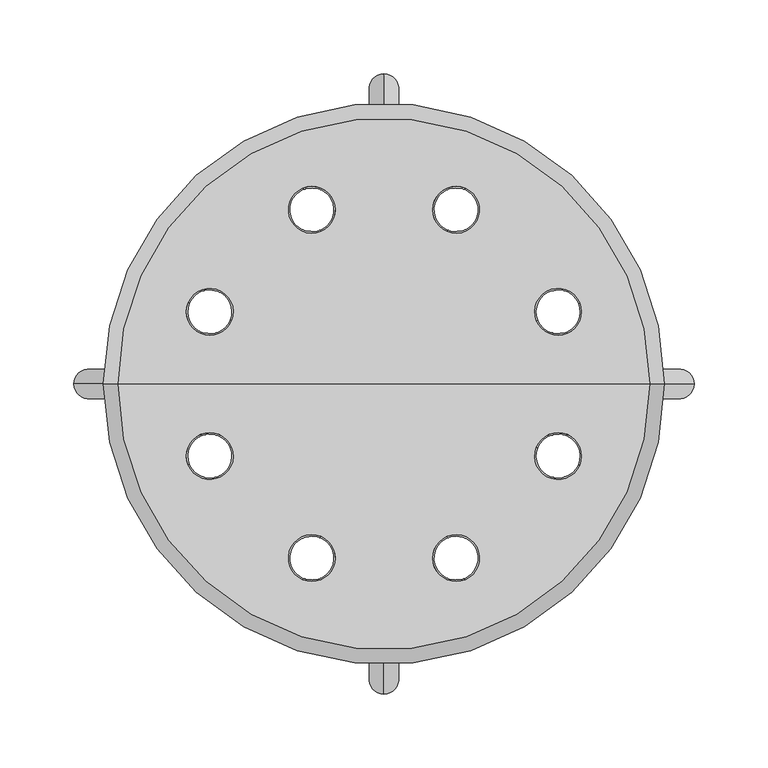
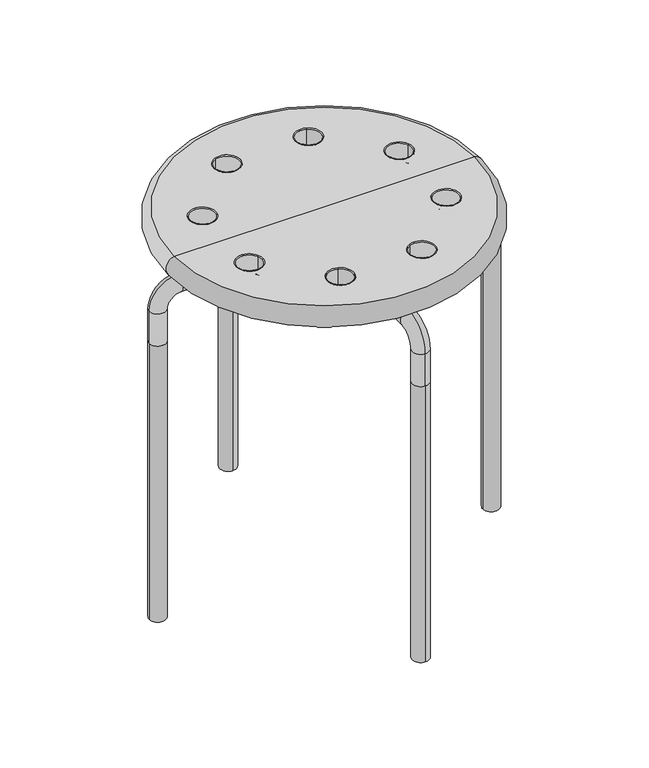
"""IFC4 building model written with IfcOpenShell, lengths in millimetres: furniture geometry."""

from ifc_helpers import new_model, si_unit, point, frame, origin, place, context, project, spatial, polyline, circle_curve, ellipse_curve, trimmed, source, transform, mapped, element, save
from ifc_brep_helpers import plane_surface, cylinder_surface, revolved_surface, advanced_brep


def furniture_d15ad5e4(model_context):
    return source(origin(), model_context, "Body", "AdvancedBrep", [
        advanced_brep(
        [(0.0, 0.0, 450.0), (180.0, 0.0, 450.0), (-180.0, 0.0, 450.0), (-42.7922575, 103.3096484, 450.0), (-54.8951378, 132.5285862, 450.0), (42.7922575, 103.3096484, 450.0), (54.8951378, 132.5285862, 450.0), (-103.3096484, 42.7922575, 450.0), (-132.5285862, 54.8951378, 450.0), (103.3096484, 42.7922575, 450.0), (132.5285862, 54.8951378, 450.0), (-103.3096484, -42.7922575, 450.0), (-132.5285862, -54.8951378, 450.0), (-42.7922575, -103.3096484, 450.0), (-54.8951378, -132.5285862, 450.0), (42.7922575, -103.3096484, 450.0), (54.8951378, -132.5285862, 450.0), (103.3096484, -42.7922575, 450.0), (132.5285862, -54.8951378, 450.0), (-180.0, 0.0, 425.0), (180.0, 0.0, 425.0), (0.0, 0.0, 425.0), (-54.8951378, 132.5285862, 425.0), (-42.7922575, 103.3096484, 425.0), (54.8951378, 132.5285862, 425.0), (42.7922575, 103.3096484, 425.0), (-132.5285862, 54.8951378, 425.0), (-103.3096484, 42.7922575, 425.0), (132.5285862, 54.8951378, 425.0), (103.3096484, 42.7922575, 425.0), (-132.5285862, -54.8951378, 425.0), (-103.3096484, -42.7922575, 425.0), (-54.8951378, -132.5285862, 425.0), (-42.7922575, -103.3096484, 425.0), (54.8951378, -132.5285862, 425.0), (42.7922575, -103.3096484, 425.0), (132.5285862, -54.8951378, 425.0), (103.3096484, -42.7922575, 425.0), (-54.5839491, 131.7773103, 449.1868248), (-43.1034461, 104.0609243, 449.1868248), (-43.1034461, 104.0609243, 425.8131752), (-54.5839491, 131.7773103, 425.8131752), (54.5839491, 131.7773103, 449.1868248), (43.1034461, 104.0609243, 449.1868248), (43.1034461, 104.0609243, 425.8131752), (54.5839491, 131.7773103, 425.8131752), (-131.7773103, 54.5839491, 449.1868248), (-104.0609243, 43.1034461, 449.1868248), (-104.0609243, 43.1034461, 425.8131752), (-131.7773103, 54.5839491, 425.8131752), (-131.7773103, -54.5839491, 449.1868248), (-104.0609243, -43.1034461, 449.1868248), (-104.0609243, -43.1034461, 425.8131752), (-131.7773103, -54.5839491, 425.8131752), (-54.5839491, -131.7773103, 449.1868248), (-43.1034461, -104.0609243, 449.1868248), (-43.1034461, -104.0609243, 425.8131752), (-54.5839491, -131.7773103, 425.8131752), (54.5839491, -131.7773103, 449.1868248), (43.1034461, -104.0609243, 449.1868248), (43.1034461, -104.0609243, 425.8131752), (54.5839491, -131.7773103, 425.8131752), (131.7773103, -54.5839491, 449.1868248), (104.0609243, -43.1034461, 449.1868248), (104.0609243, -43.1034461, 425.8131752), (131.7773103, -54.5839491, 425.8131752), (131.7773103, 54.5839491, 449.1868248), (104.0609243, 43.1034461, 449.1868248), (104.0609243, 43.1034461, 425.8131752), (131.7773103, 54.5839491, 425.8131752)],
        [
            (0, 1),
            (1, 2, circle_curve(frame((0.0, 0.0, 450.0), z_axis=(0.0, 0.0, 1.0), x_axis=(1.0, 0.0, 0.0)), 180.0)),
            (2, 0),
            (3, 4, circle_curve(frame((-48.8436976, 117.9191173, 450.0), z_axis=(0.0, 0.0, -1.0), x_axis=(0.38268343236508945, -0.9238795325112868, 0.0)), 15.8131752)),
            (4, 3, circle_curve(frame((-48.8436976, 117.9191173, 450.0), z_axis=(0.0, 0.0, -1.0), x_axis=(0.38268343236508945, -0.9238795325112868, 0.0)), 15.8131752)),
            (5, 6, circle_curve(frame((48.8436976, 117.9191173, 450.0), z_axis=(0.0, 0.0, -1.0), x_axis=(-0.382683432365101, -0.9238795325112822, 0.0)), 15.8131752)),
            (6, 5, circle_curve(frame((48.8436976, 117.9191173, 450.0), z_axis=(0.0, 0.0, -1.0), x_axis=(-0.382683432365101, -0.9238795325112822, 0.0)), 15.8131752)),
            (7, 8, circle_curve(frame((-117.9191173, 48.8436976, 450.0), z_axis=(0.0, 0.0, -1.0), x_axis=(0.9238795325112863, -0.38268343236509095, 0.0)), 15.8131752)),
            (8, 7, circle_curve(frame((-117.9191173, 48.8436976, 450.0), z_axis=(0.0, 0.0, -1.0), x_axis=(0.9238795325112863, -0.38268343236509095, 0.0)), 15.8131752)),
            (9, 10, circle_curve(frame((117.9191173, 48.8436976, 450.0), z_axis=(0.0, 0.0, -1.0), x_axis=(-0.9238795325112934, -0.38268343236507363, 0.0)), 15.8131752)),
            (10, 9, circle_curve(frame((117.9191173, 48.8436976, 450.0), z_axis=(0.0, 0.0, -1.0), x_axis=(-0.9238795325112934, -0.38268343236507363, 0.0)), 15.8131752)),
            (2, 1, circle_curve(frame((0.0, 0.0, 450.0), z_axis=(0.0, 0.0, 1.0), x_axis=(1.0, 0.0, 0.0)), 180.0)),
            (11, 12, circle_curve(frame((-117.9191173, -48.8436976, 450.0), z_axis=(0.0, 0.0, -1.0), x_axis=(0.9238795325112876, 0.38268343236508773, 0.0)), 15.8131752)),
            (12, 11, circle_curve(frame((-117.9191173, -48.8436976, 450.0), z_axis=(0.0, 0.0, -1.0), x_axis=(0.9238795325112876, 0.38268343236508773, 0.0)), 15.8131752)),
            (13, 14, circle_curve(frame((-48.8436976, -117.9191173, 450.0), z_axis=(0.0, 0.0, -1.0), x_axis=(0.3826834323650922, 0.9238795325112857, 0.0)), 15.8131752)),
            (14, 13, circle_curve(frame((-48.8436976, -117.9191173, 450.0), z_axis=(0.0, 0.0, -1.0), x_axis=(0.3826834323650922, 0.9238795325112857, 0.0)), 15.8131752)),
            (15, 16, circle_curve(frame((48.8436976, -117.9191173, 450.0), z_axis=(0.0, 0.0, -1.0), x_axis=(-0.3826834323650865, 0.9238795325112882, 0.0)), 15.8131752)),
            (16, 15, circle_curve(frame((48.8436976, -117.9191173, 450.0), z_axis=(0.0, 0.0, -1.0), x_axis=(-0.3826834323650865, 0.9238795325112882, 0.0)), 15.8131752)),
            (17, 18, circle_curve(frame((117.9191173, -48.8436976, 450.0), z_axis=(0.0, 0.0, -1.0), x_axis=(-0.9238795325112803, 0.3826834323651055, 0.0)), 15.8131752)),
            (18, 17, circle_curve(frame((117.9191173, -48.8436976, 450.0), z_axis=(0.0, 0.0, -1.0), x_axis=(-0.9238795325112803, 0.3826834323651055, 0.0)), 15.8131752)),
            (19, 20, circle_curve(frame((0.0, 0.0, 425.0), z_axis=(0.0, 0.0, -1.0), x_axis=(1.0, 0.0, 0.0)), 180.0)),
            (20, 21),
            (21, 19),
            (22, 23, circle_curve(frame((-48.8436976, 117.9191173, 425.0), z_axis=(0.0, 0.0, 1.0), x_axis=(0.38268343236508945, -0.9238795325112868, 0.0)), 15.8131752)),
            (23, 22, circle_curve(frame((-48.8436976, 117.9191173, 425.0), z_axis=(0.0, 0.0, 1.0), x_axis=(0.38268343236508945, -0.9238795325112868, 0.0)), 15.8131752)),
            (24, 25, circle_curve(frame((48.8436976, 117.9191173, 425.0), z_axis=(0.0, 0.0, 1.0), x_axis=(-0.382683432365101, -0.9238795325112822, 0.0)), 15.8131752)),
            (25, 24, circle_curve(frame((48.8436976, 117.9191173, 425.0), z_axis=(0.0, 0.0, 1.0), x_axis=(-0.382683432365101, -0.9238795325112822, 0.0)), 15.8131752)),
            (26, 27, circle_curve(frame((-117.9191173, 48.8436976, 425.0), z_axis=(0.0, 0.0, 1.0), x_axis=(0.9238795325112863, -0.38268343236509095, 0.0)), 15.8131752)),
            (27, 26, circle_curve(frame((-117.9191173, 48.8436976, 425.0), z_axis=(0.0, 0.0, 1.0), x_axis=(0.9238795325112863, -0.38268343236509095, 0.0)), 15.8131752)),
            (28, 29, circle_curve(frame((117.9191173, 48.8436976, 425.0), z_axis=(0.0, 0.0, 1.0), x_axis=(-0.9238795325112934, -0.38268343236507363, 0.0)), 15.8131752)),
            (29, 28, circle_curve(frame((117.9191173, 48.8436976, 425.0), z_axis=(0.0, 0.0, 1.0), x_axis=(-0.9238795325112934, -0.38268343236507363, 0.0)), 15.8131752)),
            (20, 19, circle_curve(frame((0.0, 0.0, 425.0), z_axis=(0.0, 0.0, -1.0), x_axis=(1.0, 0.0, 0.0)), 180.0)),
            (30, 31, circle_curve(frame((-117.9191173, -48.8436976, 425.0), z_axis=(0.0, 0.0, 1.0), x_axis=(0.9238795325112876, 0.38268343236508773, 0.0)), 15.8131752)),
            (31, 30, circle_curve(frame((-117.9191173, -48.8436976, 425.0), z_axis=(0.0, 0.0, 1.0), x_axis=(0.9238795325112876, 0.38268343236508773, 0.0)), 15.8131752)),
            (32, 33, circle_curve(frame((-48.8436976, -117.9191173, 425.0), z_axis=(0.0, 0.0, 1.0), x_axis=(0.3826834323650922, 0.9238795325112857, 0.0)), 15.8131752)),
            (33, 32, circle_curve(frame((-48.8436976, -117.9191173, 425.0), z_axis=(0.0, 0.0, 1.0), x_axis=(0.3826834323650922, 0.9238795325112857, 0.0)), 15.8131752)),
            (34, 35, circle_curve(frame((48.8436976, -117.9191173, 425.0), z_axis=(0.0, 0.0, 1.0), x_axis=(-0.3826834323650865, 0.9238795325112882, 0.0)), 15.8131752)),
            (35, 34, circle_curve(frame((48.8436976, -117.9191173, 425.0), z_axis=(0.0, 0.0, 1.0), x_axis=(-0.3826834323650865, 0.9238795325112882, 0.0)), 15.8131752)),
            (36, 37, circle_curve(frame((117.9191173, -48.8436976, 425.0), z_axis=(0.0, 0.0, 1.0), x_axis=(-0.9238795325112803, 0.3826834323651055, 0.0)), 15.8131752)),
            (37, 36, circle_curve(frame((117.9191173, -48.8436976, 425.0), z_axis=(0.0, 0.0, 1.0), x_axis=(-0.9238795325112803, 0.3826834323651055, 0.0)), 15.8131752)),
            (1, 20, ellipse_curve(frame((180.0, 0.0, 437.5), z_axis=(0.0, 1.0, 0.0), x_axis=(0.0, 0.0, 1.0)), 12.5, 10.0)),
            (19, 2, ellipse_curve(frame((-180.0, 0.0, 437.5), z_axis=(0.0, 1.0, 0.0), x_axis=(0.0, 0.0, 1.0)), 12.5, 10.0)),
            (38, 4, circle_curve(frame((-54.8951378, 132.5285862, 449.1868248), z_axis=(-0.9238795325112856, -0.38268343236509245, 0.0), x_axis=(0.38268343236509245, -0.9238795325112856, 0.0)), 0.8131752)),
            (3, 39, circle_curve(frame((-42.7922575, 103.3096484, 449.1868248), z_axis=(-0.9238795325112868, -0.38268343236508945, 0.0), x_axis=(-0.38268343236508945, 0.9238795325112868, 0.0)), 0.8131752)),
            (39, 38, circle_curve(frame((-48.8436976, 117.9191173, 449.1868248), z_axis=(0.0, 0.0, -1.0), x_axis=(0.38268343236508945, -0.9238795325112868, 0.0)), 15.0)),
            (38, 39, circle_curve(frame((-48.8436976, 117.9191173, 449.1868248), z_axis=(0.0, 0.0, -1.0), x_axis=(0.38268343236508945, -0.9238795325112868, 0.0)), 15.0)),
            (39, 40),
            (40, 41, circle_curve(frame((-48.8436976, 117.9191173, 425.8131752), z_axis=(0.0, 0.0, -1.0), x_axis=(0.38268343236508945, -0.9238795325112868, 0.0)), 15.0)),
            (41, 38),
            (41, 40, circle_curve(frame((-48.8436976, 117.9191173, 425.8131752), z_axis=(0.0, 0.0, -1.0), x_axis=(0.38268343236508945, -0.9238795325112868, 0.0)), 15.0)),
            (40, 23, circle_curve(frame((-42.7922575, 103.3096484, 425.8131752), z_axis=(-0.9238795325112868, -0.38268343236508945, 0.0), x_axis=(-0.38268343236508945, 0.9238795325112868, 0.0)), 0.8131752)),
            (22, 41, circle_curve(frame((-54.8951378, 132.5285862, 425.8131752), z_axis=(-0.9238795325112856, -0.38268343236509245, 0.0), x_axis=(0.38268343236509245, -0.9238795325112856, 0.0)), 0.8131752)),
            (42, 6, circle_curve(frame((54.8951378, 132.5285862, 449.1868248), z_axis=(-0.9238795325112834, 0.382683432365098, 0.0), x_axis=(-0.382683432365098, -0.9238795325112834, 0.0)), 0.8131752)),
            (5, 43, circle_curve(frame((42.7922575, 103.3096484, 449.1868248), z_axis=(-0.9238795325112822, 0.382683432365101, 0.0), x_axis=(0.382683432365101, 0.9238795325112822, 0.0)), 0.8131752)),
            (43, 42, circle_curve(frame((48.8436976, 117.9191173, 449.1868248), z_axis=(0.0, 0.0, -1.0), x_axis=(-0.382683432365101, -0.9238795325112822, 0.0)), 15.0)),
            (42, 43, circle_curve(frame((48.8436976, 117.9191173, 449.1868248), z_axis=(0.0, 0.0, -1.0), x_axis=(-0.382683432365101, -0.9238795325112822, 0.0)), 15.0)),
            (43, 44),
            (44, 45, circle_curve(frame((48.8436976, 117.9191173, 425.8131752), z_axis=(0.0, 0.0, -1.0), x_axis=(-0.382683432365101, -0.9238795325112822, 0.0)), 15.0)),
            (45, 42),
            (45, 44, circle_curve(frame((48.8436976, 117.9191173, 425.8131752), z_axis=(0.0, 0.0, -1.0), x_axis=(-0.382683432365101, -0.9238795325112822, 0.0)), 15.0)),
            (44, 25, circle_curve(frame((42.7922575, 103.3096484, 425.8131752), z_axis=(-0.9238795325112822, 0.382683432365101, 0.0), x_axis=(0.382683432365101, 0.9238795325112822, 0.0)), 0.8131752)),
            (24, 45, circle_curve(frame((54.8951378, 132.5285862, 425.8131752), z_axis=(-0.9238795325112834, 0.382683432365098, 0.0), x_axis=(-0.382683432365098, -0.9238795325112834, 0.0)), 0.8131752)),
            (46, 8, circle_curve(frame((-132.5285862, 54.8951378, 449.1868248), z_axis=(-0.38268343236508795, -0.9238795325112875, 0.0), x_axis=(0.9238795325112875, -0.38268343236508795, 0.0)), 0.8131752)),
            (7, 47, circle_curve(frame((-103.3096484, 42.7922575, 449.1868248), z_axis=(-0.38268343236509095, -0.9238795325112863, 0.0), x_axis=(-0.9238795325112863, 0.38268343236509095, 0.0)), 0.8131752)),
            (47, 46, circle_curve(frame((-117.9191173, 48.8436976, 449.1868248), z_axis=(0.0, 0.0, -1.0), x_axis=(0.9238795325112863, -0.38268343236509095, 0.0)), 15.0)),
            (46, 47, circle_curve(frame((-117.9191173, 48.8436976, 449.1868248), z_axis=(0.0, 0.0, -1.0), x_axis=(0.9238795325112863, -0.38268343236509095, 0.0)), 15.0)),
            (47, 48),
            (48, 49, circle_curve(frame((-117.9191173, 48.8436976, 425.8131752), z_axis=(0.0, 0.0, -1.0), x_axis=(0.9238795325112863, -0.38268343236509095, 0.0)), 15.0)),
            (49, 46),
            (49, 48, circle_curve(frame((-117.9191173, 48.8436976, 425.8131752), z_axis=(0.0, 0.0, -1.0), x_axis=(0.9238795325112863, -0.38268343236509095, 0.0)), 15.0)),
            (48, 27, circle_curve(frame((-103.3096484, 42.7922575, 425.8131752), z_axis=(-0.38268343236509095, -0.9238795325112863, 0.0), x_axis=(-0.9238795325112863, 0.38268343236509095, 0.0)), 0.8131752)),
            (26, 49, circle_curve(frame((-132.5285862, 54.8951378, 425.8131752), z_axis=(-0.38268343236508795, -0.9238795325112875, 0.0), x_axis=(0.9238795325112875, -0.38268343236508795, 0.0)), 0.8131752)),
            (50, 12, circle_curve(frame((-132.5285862, -54.8951378, 449.1868248), z_axis=(0.3826834323650907, -0.9238795325112864, 0.0), x_axis=(0.9238795325112864, 0.3826834323650907, 0.0)), 0.8131752)),
            (11, 51, circle_curve(frame((-103.3096484, -42.7922575, 449.1868248), z_axis=(0.38268343236508773, -0.9238795325112876, 0.0), x_axis=(-0.9238795325112876, -0.38268343236508773, 0.0)), 0.8131752)),
            (51, 50, circle_curve(frame((-117.9191173, -48.8436976, 449.1868248), z_axis=(0.0, 0.0, -1.0), x_axis=(0.9238795325112876, 0.38268343236508773, 0.0)), 15.0)),
            (50, 51, circle_curve(frame((-117.9191173, -48.8436976, 449.1868248), z_axis=(0.0, 0.0, -1.0), x_axis=(0.9238795325112876, 0.38268343236508773, 0.0)), 15.0)),
            (51, 52),
            (52, 53, circle_curve(frame((-117.9191173, -48.8436976, 425.8131752), z_axis=(0.0, 0.0, -1.0), x_axis=(0.9238795325112876, 0.38268343236508773, 0.0)), 15.0)),
            (53, 50),
            (53, 52, circle_curve(frame((-117.9191173, -48.8436976, 425.8131752), z_axis=(0.0, 0.0, -1.0), x_axis=(0.9238795325112876, 0.38268343236508773, 0.0)), 15.0)),
            (52, 31, circle_curve(frame((-103.3096484, -42.7922575, 425.8131752), z_axis=(0.38268343236508773, -0.9238795325112876, 0.0), x_axis=(-0.9238795325112876, -0.38268343236508773, 0.0)), 0.8131752)),
            (30, 53, circle_curve(frame((-132.5285862, -54.8951378, 425.8131752), z_axis=(0.3826834323650907, -0.9238795325112864, 0.0), x_axis=(0.9238795325112864, 0.3826834323650907, 0.0)), 0.8131752)),
            (54, 14, circle_curve(frame((-54.8951378, -132.5285862, 449.1868248), z_axis=(0.923879532511287, -0.3826834323650892, 0.0), x_axis=(0.3826834323650892, 0.923879532511287, 0.0)), 0.8131752)),
            (13, 55, circle_curve(frame((-42.7922575, -103.3096484, 449.1868248), z_axis=(0.9238795325112857, -0.3826834323650922, 0.0), x_axis=(-0.3826834323650922, -0.9238795325112857, 0.0)), 0.8131752)),
            (55, 54, circle_curve(frame((-48.8436976, -117.9191173, 449.1868248), z_axis=(0.0, 0.0, -1.0), x_axis=(0.3826834323650922, 0.9238795325112857, 0.0)), 15.0)),
            (54, 55, circle_curve(frame((-48.8436976, -117.9191173, 449.1868248), z_axis=(0.0, 0.0, -1.0), x_axis=(0.3826834323650922, 0.9238795325112857, 0.0)), 15.0)),
            (55, 56),
            (56, 57, circle_curve(frame((-48.8436976, -117.9191173, 425.8131752), z_axis=(0.0, 0.0, -1.0), x_axis=(0.3826834323650922, 0.9238795325112857, 0.0)), 15.0)),
            (57, 54),
            (57, 56, circle_curve(frame((-48.8436976, -117.9191173, 425.8131752), z_axis=(0.0, 0.0, -1.0), x_axis=(0.3826834323650922, 0.9238795325112857, 0.0)), 15.0)),
            (56, 33, circle_curve(frame((-42.7922575, -103.3096484, 425.8131752), z_axis=(0.9238795325112857, -0.3826834323650922, 0.0), x_axis=(-0.3826834323650922, -0.9238795325112857, 0.0)), 0.8131752)),
            (32, 57, circle_curve(frame((-54.8951378, -132.5285862, 425.8131752), z_axis=(0.923879532511287, -0.3826834323650892, 0.0), x_axis=(0.3826834323650892, 0.923879532511287, 0.0)), 0.8131752)),
            (58, 16, circle_curve(frame((54.8951378, -132.5285862, 449.1868248), z_axis=(0.923879532511287, 0.3826834323650895, 0.0), x_axis=(-0.3826834323650895, 0.923879532511287, 0.0)), 0.8131752)),
            (15, 59, circle_curve(frame((42.7922575, -103.3096484, 449.1868248), z_axis=(0.9238795325112882, 0.3826834323650865, 0.0), x_axis=(0.3826834323650865, -0.9238795325112882, 0.0)), 0.8131752)),
            (59, 58, circle_curve(frame((48.8436976, -117.9191173, 449.1868248), z_axis=(0.0, 0.0, -1.0), x_axis=(-0.3826834323650865, 0.9238795325112882, 0.0)), 15.0)),
            (58, 59, circle_curve(frame((48.8436976, -117.9191173, 449.1868248), z_axis=(0.0, 0.0, -1.0), x_axis=(-0.3826834323650865, 0.9238795325112882, 0.0)), 15.0)),
            (59, 60),
            (60, 61, circle_curve(frame((48.8436976, -117.9191173, 425.8131752), z_axis=(0.0, 0.0, -1.0), x_axis=(-0.3826834323650865, 0.9238795325112882, 0.0)), 15.0)),
            (61, 58),
            (61, 60, circle_curve(frame((48.8436976, -117.9191173, 425.8131752), z_axis=(0.0, 0.0, -1.0), x_axis=(-0.3826834323650865, 0.9238795325112882, 0.0)), 15.0)),
            (60, 35, circle_curve(frame((42.7922575, -103.3096484, 425.8131752), z_axis=(0.9238795325112882, 0.3826834323650865, 0.0), x_axis=(0.3826834323650865, -0.9238795325112882, 0.0)), 0.8131752)),
            (34, 61, circle_curve(frame((54.8951378, -132.5285862, 425.8131752), z_axis=(0.923879532511287, 0.3826834323650895, 0.0), x_axis=(-0.3826834323650895, 0.923879532511287, 0.0)), 0.8131752)),
            (62, 18, circle_curve(frame((132.5285862, -54.8951378, 449.1868248), z_axis=(0.3826834323651025, 0.9238795325112815, 0.0), x_axis=(-0.9238795325112815, 0.3826834323651025, 0.0)), 0.8131752)),
            (17, 63, circle_curve(frame((103.3096484, -42.7922575, 449.1868248), z_axis=(0.3826834323651055, 0.9238795325112803, 0.0), x_axis=(0.9238795325112803, -0.3826834323651055, 0.0)), 0.8131752)),
            (63, 62, circle_curve(frame((117.9191173, -48.8436976, 449.1868248), z_axis=(0.0, 0.0, -1.0), x_axis=(-0.9238795325112803, 0.3826834323651055, 0.0)), 15.0)),
            (62, 63, circle_curve(frame((117.9191173, -48.8436976, 449.1868248), z_axis=(0.0, 0.0, -1.0), x_axis=(-0.9238795325112803, 0.3826834323651055, 0.0)), 15.0)),
            (63, 64),
            (64, 65, circle_curve(frame((117.9191173, -48.8436976, 425.8131752), z_axis=(0.0, 0.0, -1.0), x_axis=(-0.9238795325112803, 0.3826834323651055, 0.0)), 15.0)),
            (65, 62),
            (65, 64, circle_curve(frame((117.9191173, -48.8436976, 425.8131752), z_axis=(0.0, 0.0, -1.0), x_axis=(-0.9238795325112803, 0.3826834323651055, 0.0)), 15.0)),
            (64, 37, circle_curve(frame((103.3096484, -42.7922575, 425.8131752), z_axis=(0.3826834323651055, 0.9238795325112803, 0.0), x_axis=(0.9238795325112803, -0.3826834323651055, 0.0)), 0.8131752)),
            (36, 65, circle_curve(frame((132.5285862, -54.8951378, 425.8131752), z_axis=(0.3826834323651025, 0.9238795325112815, 0.0), x_axis=(-0.9238795325112815, 0.3826834323651025, 0.0)), 0.8131752)),
            (66, 10, circle_curve(frame((132.5285862, 54.8951378, 449.1868248), z_axis=(-0.3826834323650766, 0.9238795325112922, 0.0), x_axis=(-0.9238795325112922, -0.3826834323650766, 0.0)), 0.8131752)),
            (9, 67, circle_curve(frame((103.3096484, 42.7922575, 449.1868248), z_axis=(-0.38268343236507363, 0.9238795325112934, 0.0), x_axis=(0.9238795325112934, 0.38268343236507363, 0.0)), 0.8131752)),
            (67, 66, circle_curve(frame((117.9191173, 48.8436976, 449.1868248), z_axis=(0.0, 0.0, -1.0), x_axis=(-0.9238795325112934, -0.38268343236507363, 0.0)), 15.0)),
            (66, 67, circle_curve(frame((117.9191173, 48.8436976, 449.1868248), z_axis=(0.0, 0.0, -1.0), x_axis=(-0.9238795325112934, -0.38268343236507363, 0.0)), 15.0)),
            (67, 68),
            (68, 69, circle_curve(frame((117.9191173, 48.8436976, 425.8131752), z_axis=(0.0, 0.0, -1.0), x_axis=(-0.9238795325112934, -0.38268343236507363, 0.0)), 15.0)),
            (69, 66),
            (69, 68, circle_curve(frame((117.9191173, 48.8436976, 425.8131752), z_axis=(0.0, 0.0, -1.0), x_axis=(-0.9238795325112934, -0.38268343236507363, 0.0)), 15.0)),
            (68, 29, circle_curve(frame((103.3096484, 42.7922575, 425.8131752), z_axis=(-0.38268343236507363, 0.9238795325112934, 0.0), x_axis=(0.9238795325112934, 0.38268343236507363, 0.0)), 0.8131752)),
            (28, 69, circle_curve(frame((132.5285862, 54.8951378, 425.8131752), z_axis=(-0.3826834323650766, 0.9238795325112922, 0.0), x_axis=(-0.9238795325112922, -0.3826834323650766, 0.0)), 0.8131752)),
        ],
        [
            plane_surface(frame((0.0, 0.0, 450.0), z_axis=(0.0, 0.0, 1.0), x_axis=(1.0, 0.0, 0.0))),
            plane_surface(frame((0.0, 0.0, 425.0), z_axis=(0.0, 0.0, -1.0), x_axis=(1.0, 0.0, 0.0))),
            revolved_surface(trimmed(ellipse_curve(frame((180.0, 0.0, 437.5), z_axis=(0.0, -1.0, 0.0), x_axis=(0.0, 0.0, 1.0)), 12.5, 10.0), [point((180.0, 0.0, 425.0))], [point((180.0, 0.0, 450.0))], True, "CARTESIAN"), (0.0, 0.0, 480.0), (0.0, 0.0, 1.0)),
            revolved_surface(trimmed(ellipse_curve(frame((-42.7922575, 103.3096484, 449.1868248), z_axis=(0.9238795325112868, 0.38268343236508945, 0.0), x_axis=(-0.38268343236508945, 0.9238795325112868, 0.0)), 0.8131752, 0.8131752), [point((-43.1034461, 104.0609243, 449.1868248))], [point((-42.7922575, 103.3096484, 450.0))], True, "CARTESIAN"), (-48.8436976, 117.9191173, 453.4437413), (0.0, 0.0, -1.0)),
            revolved_surface(polyline([(-43.103446114523656, 104.0609243123307, 425.8131752), (-43.103446114523656, 104.0609243123307, 449.1868248)]), (-48.8436976, 117.9191173, 453.4437413), (0.0, 0.0, -1.0)),
            revolved_surface(trimmed(ellipse_curve(frame((-42.7922575, 103.3096484, 425.8131752), z_axis=(0.9238795325112868, 0.38268343236508945, 0.0), x_axis=(-0.38268343236508945, 0.9238795325112868, 0.0)), 0.8131752, 0.8131752), [point((-42.7922575, 103.3096484, 425.0))], [point((-43.1034461, 104.0609243, 425.8131752))], True, "CARTESIAN"), (-48.8436976, 117.9191173, 453.4437413), (0.0, 0.0, -1.0)),
            revolved_surface(trimmed(ellipse_curve(frame((42.7922575, 103.3096484, 449.1868248), z_axis=(0.9238795325112822, -0.382683432365101, 0.0), x_axis=(0.382683432365101, 0.9238795325112822, 0.0)), 0.8131752, 0.8131752), [point((43.1034461, 104.0609243, 449.1868248))], [point((42.7922575, 103.3096484, 450.0))], True, "CARTESIAN"), (48.8436976, 117.9191173, 453.4437413), (0.0, 0.0, -1.0)),
            revolved_surface(polyline([(43.103446114523486, 104.06092431233077, 425.8131752), (43.103446114523486, 104.06092431233077, 449.1868248)]), (48.8436976, 117.9191173, 453.4437413), (0.0, 0.0, -1.0)),
            revolved_surface(trimmed(ellipse_curve(frame((42.7922575, 103.3096484, 425.8131752), z_axis=(0.9238795325112822, -0.382683432365101, 0.0), x_axis=(0.382683432365101, 0.9238795325112822, 0.0)), 0.8131752, 0.8131752), [point((42.7922575, 103.3096484, 425.0))], [point((43.1034461, 104.0609243, 425.8131752))], True, "CARTESIAN"), (48.8436976, 117.9191173, 453.4437413), (0.0, 0.0, -1.0)),
            revolved_surface(trimmed(ellipse_curve(frame((-103.3096484, 42.7922575, 449.1868248), z_axis=(0.38268343236509095, 0.9238795325112863, 0.0), x_axis=(-0.9238795325112863, 0.38268343236509095, 0.0)), 0.8131752, 0.8131752), [point((-104.0609243, 43.1034461, 449.1868248))], [point((-103.3096484, 42.7922575, 450.0))], True, "CARTESIAN"), (-117.9191173, 48.8436976, 453.4437413), (0.0, 0.0, -1.0)),
            revolved_surface(polyline([(-104.0609243123307, 43.103446114523635, 425.8131752), (-104.0609243123307, 43.103446114523635, 449.1868248)]), (-117.9191173, 48.8436976, 453.4437413), (0.0, 0.0, -1.0)),
            revolved_surface(trimmed(ellipse_curve(frame((-103.3096484, 42.7922575, 425.8131752), z_axis=(0.38268343236509095, 0.9238795325112863, 0.0), x_axis=(-0.9238795325112863, 0.38268343236509095, 0.0)), 0.8131752, 0.8131752), [point((-103.3096484, 42.7922575, 425.0))], [point((-104.0609243, 43.1034461, 425.8131752))], True, "CARTESIAN"), (-117.9191173, 48.8436976, 453.4437413), (0.0, 0.0, -1.0)),
            revolved_surface(trimmed(ellipse_curve(frame((-103.3096484, -42.7922575, 449.1868248), z_axis=(-0.38268343236508773, 0.9238795325112876, 0.0), x_axis=(-0.9238795325112876, -0.38268343236508773, 0.0)), 0.8131752, 0.8131752), [point((-104.0609243, -43.1034461, 449.1868248))], [point((-103.3096484, -42.7922575, 450.0))], True, "CARTESIAN"), (-117.9191173, -48.8436976, 453.4437413), (0.0, 0.0, -1.0)),
            revolved_surface(polyline([(-104.06092431233068, -43.103446114523685, 425.8131752), (-104.06092431233068, -43.103446114523685, 449.1868248)]), (-117.9191173, -48.8436976, 453.4437413), (0.0, 0.0, -1.0)),
            revolved_surface(trimmed(ellipse_curve(frame((-103.3096484, -42.7922575, 425.8131752), z_axis=(-0.38268343236508773, 0.9238795325112876, 0.0), x_axis=(-0.9238795325112876, -0.38268343236508773, 0.0)), 0.8131752, 0.8131752), [point((-103.3096484, -42.7922575, 425.0))], [point((-104.0609243, -43.1034461, 425.8131752))], True, "CARTESIAN"), (-117.9191173, -48.8436976, 453.4437413), (0.0, 0.0, -1.0)),
            revolved_surface(trimmed(ellipse_curve(frame((-42.7922575, -103.3096484, 449.1868248), z_axis=(-0.9238795325112857, 0.3826834323650922, 0.0), x_axis=(-0.3826834323650922, -0.9238795325112857, 0.0)), 0.8131752, 0.8131752), [point((-43.1034461, -104.0609243, 449.1868248))], [point((-42.7922575, -103.3096484, 450.0))], True, "CARTESIAN"), (-48.8436976, -117.9191173, 453.4437413), (0.0, 0.0, -1.0)),
            revolved_surface(polyline([(-43.103446114523614, -104.06092431233071, 425.8131752), (-43.103446114523614, -104.06092431233071, 449.1868248)]), (-48.8436976, -117.9191173, 453.4437413), (0.0, 0.0, -1.0)),
            revolved_surface(trimmed(ellipse_curve(frame((-42.7922575, -103.3096484, 425.8131752), z_axis=(-0.9238795325112857, 0.3826834323650922, 0.0), x_axis=(-0.3826834323650922, -0.9238795325112857, 0.0)), 0.8131752, 0.8131752), [point((-42.7922575, -103.3096484, 425.0))], [point((-43.1034461, -104.0609243, 425.8131752))], True, "CARTESIAN"), (-48.8436976, -117.9191173, 453.4437413), (0.0, 0.0, -1.0)),
            revolved_surface(trimmed(ellipse_curve(frame((42.7922575, -103.3096484, 449.1868248), z_axis=(-0.9238795325112882, -0.3826834323650865, 0.0), x_axis=(0.3826834323650865, -0.9238795325112882, 0.0)), 0.8131752, 0.8131752), [point((43.1034461, -104.0609243, 449.1868248))], [point((42.7922575, -103.3096484, 450.0))], True, "CARTESIAN"), (48.8436976, -117.9191173, 453.4437413), (0.0, 0.0, -1.0)),
            revolved_surface(polyline([(43.1034461145237, -104.06092431233067, 425.8131752), (43.1034461145237, -104.06092431233067, 449.1868248)]), (48.8436976, -117.9191173, 453.4437413), (0.0, 0.0, -1.0)),
            revolved_surface(trimmed(ellipse_curve(frame((42.7922575, -103.3096484, 425.8131752), z_axis=(-0.9238795325112882, -0.3826834323650865, 0.0), x_axis=(0.3826834323650865, -0.9238795325112882, 0.0)), 0.8131752, 0.8131752), [point((42.7922575, -103.3096484, 425.0))], [point((43.1034461, -104.0609243, 425.8131752))], True, "CARTESIAN"), (48.8436976, -117.9191173, 453.4437413), (0.0, 0.0, -1.0)),
            revolved_surface(trimmed(ellipse_curve(frame((103.3096484, -42.7922575, 449.1868248), z_axis=(-0.3826834323651055, -0.9238795325112803, 0.0), x_axis=(0.9238795325112803, -0.3826834323651055, 0.0)), 0.8131752, 0.8131752), [point((104.0609243, -43.1034461, 449.1868248))], [point((103.3096484, -42.7922575, 450.0))], True, "CARTESIAN"), (117.9191173, -48.8436976, 453.4437413), (0.0, 0.0, -1.0)),
            revolved_surface(polyline([(104.0609243123308, -43.103446114523415, 425.8131752), (104.0609243123308, -43.103446114523415, 449.1868248)]), (117.9191173, -48.8436976, 453.4437413), (0.0, 0.0, -1.0)),
            revolved_surface(trimmed(ellipse_curve(frame((103.3096484, -42.7922575, 425.8131752), z_axis=(-0.3826834323651055, -0.9238795325112803, 0.0), x_axis=(0.9238795325112803, -0.3826834323651055, 0.0)), 0.8131752, 0.8131752), [point((103.3096484, -42.7922575, 425.0))], [point((104.0609243, -43.1034461, 425.8131752))], True, "CARTESIAN"), (117.9191173, -48.8436976, 453.4437413), (0.0, 0.0, -1.0)),
            revolved_surface(trimmed(ellipse_curve(frame((103.3096484, 42.7922575, 449.1868248), z_axis=(0.38268343236507363, -0.9238795325112934, 0.0), x_axis=(0.9238795325112934, 0.38268343236507363, 0.0)), 0.8131752, 0.8131752), [point((104.0609243, 43.1034461, 449.1868248))], [point((103.3096484, 42.7922575, 450.0))], True, "CARTESIAN"), (117.9191173, 48.8436976, 453.4437413), (0.0, 0.0, -1.0)),
            revolved_surface(polyline([(104.0609243123306, 43.10344611452389, 425.8131752), (104.0609243123306, 43.10344611452389, 449.1868248)]), (117.9191173, 48.8436976, 453.4437413), (0.0, 0.0, -1.0)),
            revolved_surface(trimmed(ellipse_curve(frame((103.3096484, 42.7922575, 425.8131752), z_axis=(0.38268343236507363, -0.9238795325112934, 0.0), x_axis=(0.9238795325112934, 0.38268343236507363, 0.0)), 0.8131752, 0.8131752), [point((103.3096484, 42.7922575, 425.0))], [point((104.0609243, 43.1034461, 425.8131752))], True, "CARTESIAN"), (117.9191173, 48.8436976, 453.4437413), (0.0, 0.0, -1.0)),
        ],
        [
            (0, [[1, 2, 3], [4, 5], [6, 7], [8, 9], [10, 11]]),
            (0, [[-1, -3, 12], [13, 14], [15, 16], [17, 18], [19, 20]]),
            (1, [[21, 22, 23], [24, 25], [26, 27], [28, 29], [30, 31]]),
            (1, [[-22, 32, -23], [33, 34], [35, 36], [37, 38], [39, 40]]),
            (2, [[-2, 41, -21, 42]]),
            (2, [[-12, -42, -32, -41]]),
            (3, [[43, -4, 44, 45]]),
            (3, [[-43, 46, -44, -5]]),
            (4, [[-45, 47, 48, 49]]),
            (4, [[-46, -49, 50, -47]]),
            (5, [[-48, 51, -24, 52]]),
            (5, [[-50, -52, -25, -51]]),
            (6, [[53, -6, 54, 55]]),
            (6, [[-53, 56, -54, -7]]),
            (7, [[-55, 57, 58, 59]]),
            (7, [[-56, -59, 60, -57]]),
            (8, [[-58, 61, -26, 62]]),
            (8, [[-60, -62, -27, -61]]),
            (9, [[63, -8, 64, 65]]),
            (9, [[-63, 66, -64, -9]]),
            (10, [[-65, 67, 68, 69]]),
            (10, [[-66, -69, 70, -67]]),
            (11, [[-68, 71, -28, 72]]),
            (11, [[-70, -72, -29, -71]]),
            (12, [[73, -13, 74, 75]]),
            (12, [[-73, 76, -74, -14]]),
            (13, [[-75, 77, 78, 79]]),
            (13, [[-76, -79, 80, -77]]),
            (14, [[-78, 81, -33, 82]]),
            (14, [[-80, -82, -34, -81]]),
            (15, [[83, -15, 84, 85]]),
            (15, [[-83, 86, -84, -16]]),
            (16, [[-85, 87, 88, 89]]),
            (16, [[-86, -89, 90, -87]]),
            (17, [[-88, 91, -35, 92]]),
            (17, [[-90, -92, -36, -91]]),
            (18, [[93, -17, 94, 95]]),
            (18, [[-93, 96, -94, -18]]),
            (19, [[-95, 97, 98, 99]]),
            (19, [[-96, -99, 100, -97]]),
            (20, [[-98, 101, -37, 102]]),
            (20, [[-100, -102, -38, -101]]),
            (21, [[103, -19, 104, 105]]),
            (21, [[-103, 106, -104, -20]]),
            (22, [[-105, 107, 108, 109]]),
            (22, [[-106, -109, 110, -107]]),
            (23, [[-108, 111, -39, 112]]),
            (23, [[-110, -112, -40, -111]]),
            (24, [[113, -10, 114, 115]]),
            (24, [[-113, 116, -114, -11]]),
            (25, [[-115, 117, 118, 119]]),
            (25, [[-116, -119, 120, -117]]),
            (26, [[-118, 121, -30, 122]]),
            (26, [[-120, -122, -31, -121]]),
        ],
    ),
        advanced_brep(
        [(-190.0, 0.0, 350.0), (-190.0, 0.0, 390.5152936), (-210.0, 0.0, 390.5152936), (-210.0, 0.0, 350.0), (-175.5152936, 0.0, 405.0), (-175.5152936, 0.0, 425.0), (0.0, 0.0, 405.0), (0.0, 0.0, 425.0), (-190.0, 0.0, 0.0), (-210.0, 0.0, 0.0), (190.0, 0.0, 350.0), (190.0, 0.0, 390.5152936), (210.0, 0.0, 390.5152936), (210.0, 0.0, 350.0), (175.5152936, 0.0, 405.0), (175.5152936, 0.0, 425.0), (190.0, 0.0, 0.0), (210.0, 0.0, 0.0), (0.0, 190.0, 350.0), (0.0, 190.0, 390.5152936), (0.0, 210.0, 390.5152936), (0.0, 210.0, 350.0), (0.0, 175.5152936, 405.0), (0.0, 175.5152936, 425.0), (0.0, -190.0, 350.0), (0.0, -190.0, 390.5152936), (0.0, -210.0, 390.5152936), (0.0, -210.0, 350.0), (0.0, -175.5152936, 405.0), (0.0, -175.5152936, 425.0), (0.0, 190.0, 0.0), (0.0, 210.0, 0.0), (0.0, -190.0, 0.0), (0.0, -210.0, 0.0)],
        [
            (0, 1),
            (1, 2, circle_curve(frame((-200.0, 0.0, 390.5152936), z_axis=(0.0, 0.0, -1.0), x_axis=(-1.0, 0.0, 0.0)), 10.0)),
            (2, 3),
            (3, 0, circle_curve(frame((-200.0, 0.0, 350.0), z_axis=(0.0, 0.0, 1.0), x_axis=(-1.0, 0.0, 0.0)), 10.0)),
            (0, 3, circle_curve(frame((-200.0, 0.0, 350.0), z_axis=(0.0, 0.0, 1.0), x_axis=(-1.0, 0.0, 0.0)), 10.0)),
            (2, 1, circle_curve(frame((-200.0, 0.0, 390.5152936), z_axis=(0.0, 0.0, -1.0), x_axis=(-1.0, 0.0, 0.0)), 10.0)),
            (1, 4, circle_curve(frame((-175.5152936, 0.0, 390.5152936), z_axis=(0.0, 1.0, 0.0), x_axis=(-1.0, 0.0, 0.0)), 14.4847064)),
            (4, 5, circle_curve(frame((-175.5152936, 0.0, 415.0), z_axis=(-1.0, 0.0, 0.0), x_axis=(0.0, 0.0, 1.0)), 10.0)),
            (5, 2, circle_curve(frame((-175.5152936, 0.0, 390.5152936), z_axis=(0.0, -1.0, 0.0), x_axis=(-1.0, 0.0, 0.0)), 34.4847064)),
            (5, 4, circle_curve(frame((-175.5152936, 0.0, 415.0), z_axis=(-1.0, 0.0, 0.0), x_axis=(0.0, 0.0, 1.0)), 10.0)),
            (4, 6),
            (6, 7, ellipse_curve(frame((0.0, 0.0, 415.0), z_axis=(-0.7071067811865492, 0.7071067811865458, 0.0), x_axis=(-0.7071067811865458, -0.7071067811865492, 0.0)), 14.1421356, 10.0)),
            (7, 5),
            (7, 6, ellipse_curve(frame((0.0, 0.0, 415.0), z_axis=(-0.7071067811865492, -0.7071067811865458, 0.0), x_axis=(-0.7071067811865458, 0.7071067811865492, 0.0)), 14.1421356, 10.0)),
            (8, 9, circle_curve(frame((-200.0, 0.0, 0.0), z_axis=(0.0, 0.0, -1.0), x_axis=(-1.0, 0.0, 0.0)), 10.0)),
            (9, 8, circle_curve(frame((-200.0, 0.0, 0.0), z_axis=(0.0, 0.0, -1.0), x_axis=(-1.0, 0.0, 0.0)), 10.0)),
            (9, 3),
            (0, 8),
            (10, 11),
            (11, 12, circle_curve(frame((200.0, 0.0, 390.5152936), z_axis=(0.0, 0.0, -1.0), x_axis=(-1.0, 0.0, 0.0)), 10.0)),
            (12, 13),
            (13, 10, circle_curve(frame((200.0, 0.0, 350.0), z_axis=(0.0, 0.0, 1.0), x_axis=(-1.0, 0.0, 0.0)), 10.0)),
            (10, 13, circle_curve(frame((200.0, 0.0, 350.0), z_axis=(0.0, 0.0, 1.0), x_axis=(-1.0, 0.0, 0.0)), 10.0)),
            (12, 11, circle_curve(frame((200.0, 0.0, 390.5152936), z_axis=(0.0, 0.0, -1.0), x_axis=(-1.0, 0.0, 0.0)), 10.0)),
            (11, 14, circle_curve(frame((175.5152936, 0.0, 390.5152936), z_axis=(0.0, -1.0, 0.0), x_axis=(1.0, 0.0, 0.0)), 14.4847064)),
            (14, 15, circle_curve(frame((175.5152936, 0.0, 415.0), z_axis=(1.0, 0.0, 0.0), x_axis=(0.0, 0.0, -1.0)), 10.0)),
            (15, 12, circle_curve(frame((175.5152936, 0.0, 390.5152936), z_axis=(0.0, 1.0, 0.0), x_axis=(1.0, 0.0, 0.0)), 34.4847064)),
            (15, 14, circle_curve(frame((175.5152936, 0.0, 415.0), z_axis=(1.0, 0.0, 0.0), x_axis=(0.0, 0.0, -1.0)), 10.0)),
            (14, 6),
            (6, 7, ellipse_curve(frame((0.0, 0.0, 415.0), z_axis=(0.7071067811865458, -0.7071067811865492, 0.0), x_axis=(0.7071067811865492, 0.7071067811865458, 0.0)), 14.1421356, 10.0)),
            (7, 15),
            (7, 6, ellipse_curve(frame((0.0, 0.0, 415.0), z_axis=(0.7071067811865458, 0.7071067811865492, 0.0), x_axis=(0.7071067811865492, -0.7071067811865458, 0.0)), 14.1421356, 10.0)),
            (16, 17, circle_curve(frame((200.0, 0.0, 0.0), z_axis=(0.0, 0.0, -1.0), x_axis=(1.0, 0.0, 0.0)), 10.0)),
            (17, 16, circle_curve(frame((200.0, 0.0, 0.0), z_axis=(0.0, 0.0, -1.0), x_axis=(1.0, 0.0, 0.0)), 10.0)),
            (16, 10),
            (13, 17),
            (18, 19),
            (19, 20, circle_curve(frame((0.0, 200.0, 390.5152936), z_axis=(0.0, 0.0, -1.0), x_axis=(0.0, -1.0, 0.0)), 10.0)),
            (20, 21),
            (21, 18, circle_curve(frame((0.0, 200.0, 350.0), z_axis=(0.0, 0.0, 1.0), x_axis=(0.0, -1.0, 0.0)), 10.0)),
            (18, 21, circle_curve(frame((0.0, 200.0, 350.0), z_axis=(0.0, 0.0, 1.0), x_axis=(0.0, -1.0, 0.0)), 10.0)),
            (20, 19, circle_curve(frame((0.0, 200.0, 390.5152936), z_axis=(0.0, 0.0, -1.0), x_axis=(0.0, -1.0, 0.0)), 10.0)),
            (19, 22, circle_curve(frame((0.0, 175.5152936, 390.5152936), z_axis=(1.0, 0.0, 0.0), x_axis=(0.0, 1.0, 0.0)), 14.4847064)),
            (22, 23, circle_curve(frame((0.0, 175.5152936, 415.0), z_axis=(0.0, 1.0, 0.0), x_axis=(0.0, 0.0, -1.0)), 10.0)),
            (23, 20, circle_curve(frame((0.0, 175.5152936, 390.5152936), z_axis=(-1.0, 0.0, 0.0), x_axis=(0.0, 1.0, 0.0)), 34.4847064)),
            (23, 22, circle_curve(frame((0.0, 175.5152936, 415.0), z_axis=(0.0, 1.0, 0.0), x_axis=(0.0, 0.0, -1.0)), 10.0)),
            (22, 6),
            (7, 23),
            (24, 25),
            (25, 26, circle_curve(frame((0.0, -200.0, 390.5152936), z_axis=(0.0, 0.0, -1.0), x_axis=(0.0, -1.0, 0.0)), 10.0)),
            (26, 27),
            (27, 24, circle_curve(frame((0.0, -200.0, 350.0), z_axis=(0.0, 0.0, 1.0), x_axis=(0.0, -1.0, 0.0)), 10.0)),
            (24, 27, circle_curve(frame((0.0, -200.0, 350.0), z_axis=(0.0, 0.0, 1.0), x_axis=(0.0, -1.0, 0.0)), 10.0)),
            (26, 25, circle_curve(frame((0.0, -200.0, 390.5152936), z_axis=(0.0, 0.0, -1.0), x_axis=(0.0, -1.0, 0.0)), 10.0)),
            (25, 28, circle_curve(frame((0.0, -175.5152936, 390.5152936), z_axis=(-1.0, 0.0, 0.0), x_axis=(0.0, -1.0, 0.0)), 14.4847064)),
            (28, 29, circle_curve(frame((0.0, -175.5152936, 415.0), z_axis=(0.0, -1.0, 0.0), x_axis=(0.0, 0.0, 1.0)), 10.0)),
            (29, 26, circle_curve(frame((0.0, -175.5152936, 390.5152936), z_axis=(1.0, 0.0, 0.0), x_axis=(0.0, -1.0, 0.0)), 34.4847064)),
            (29, 28, circle_curve(frame((0.0, -175.5152936, 415.0), z_axis=(0.0, -1.0, 0.0), x_axis=(0.0, 0.0, 1.0)), 10.0)),
            (28, 6),
            (7, 29),
            (30, 31, circle_curve(frame((0.0, 200.0, 0.0), z_axis=(0.0, 0.0, -1.0), x_axis=(0.0, 1.0, 0.0)), 10.0)),
            (31, 30, circle_curve(frame((0.0, 200.0, 0.0), z_axis=(0.0, 0.0, -1.0), x_axis=(0.0, 1.0, 0.0)), 10.0)),
            (30, 18),
            (21, 31),
            (32, 33, circle_curve(frame((0.0, -200.0, 0.0), z_axis=(0.0, 0.0, -1.0), x_axis=(0.0, -1.0, 0.0)), 10.0)),
            (33, 32, circle_curve(frame((0.0, -200.0, 0.0), z_axis=(0.0, 0.0, -1.0), x_axis=(0.0, -1.0, 0.0)), 10.0)),
            (33, 27),
            (24, 32),
        ],
        [
            cylinder_surface(frame((-200.0, 0.0, 350.0), z_axis=(0.0, 0.0, -1.0), x_axis=(-1.0, 0.0, 0.0)), 10.0),
            revolved_surface(trimmed(ellipse_curve(frame((-200.0, 0.0, 390.5152936), z_axis=(0.0, 0.0, -1.0), x_axis=(-1.0, 0.0, 0.0)), 10.0, 10.0), [point((-190.0, 0.0, 390.5152936))], [point((-210.0, 0.0, 390.5152936))], True, "CARTESIAN"), (-175.5152936, 0.0, 390.5152936), (0.0, 1.0, 0.0)),
            revolved_surface(trimmed(ellipse_curve(frame((-200.0, 0.0, 390.5152936), z_axis=(0.0, 0.0, -1.0), x_axis=(-1.0, 0.0, 0.0)), 10.0, 10.0), [point((-210.0, 0.0, 390.5152936))], [point((-190.0, 0.0, 390.5152936))], True, "CARTESIAN"), (-175.5152936, 0.0, 390.5152936), (0.0, 1.0, 0.0)),
            cylinder_surface(frame((-175.5152936, 0.0, 415.0), z_axis=(-1.0, 0.0, 0.0), x_axis=(0.0, 0.0, 1.0)), 10.0),
            plane_surface(frame((-210.0, 0.0, 0.0), z_axis=(0.0, 0.0, -1.0), x_axis=(0.0, 1.0, 0.0))),
            cylinder_surface(frame((-200.0, 0.0, 0.0), z_axis=(0.0, 0.0, 1.0), x_axis=(-1.0, 0.0, 0.0)), 10.0),
            cylinder_surface(frame((200.0, 0.0, 350.0), z_axis=(0.0, 0.0, -1.0), x_axis=(-1.0, 0.0, 0.0)), 10.0),
            revolved_surface(trimmed(ellipse_curve(frame((200.0, 0.0, 390.5152936), z_axis=(0.0, 0.0, -1.0), x_axis=(-1.0, 0.0, 0.0)), 10.0, 10.0), [point((190.0, 0.0, 390.5152936))], [point((210.0, 0.0, 390.5152936))], True, "CARTESIAN"), (175.5152936, 0.0, 390.5152936), (0.0, -1.0, 0.0)),
            revolved_surface(trimmed(ellipse_curve(frame((200.0, 0.0, 390.5152936), z_axis=(0.0, 0.0, -1.0), x_axis=(-1.0, 0.0, 0.0)), 10.0, 10.0), [point((210.0, 0.0, 390.5152936))], [point((190.0, 0.0, 390.5152936))], True, "CARTESIAN"), (175.5152936, 0.0, 390.5152936), (0.0, -1.0, 0.0)),
            cylinder_surface(frame((175.5152936, 0.0, 415.0), z_axis=(1.0, 0.0, 0.0), x_axis=(0.0, 0.0, -1.0)), 10.0),
            plane_surface(frame((210.0, 0.0, 0.0), z_axis=(0.0, 0.0, -1.0), x_axis=(0.0, -1.0, 0.0))),
            cylinder_surface(frame((200.0, 0.0, 0.0), z_axis=(0.0, 0.0, 1.0), x_axis=(1.0, 0.0, 0.0)), 10.0),
            cylinder_surface(frame((0.0, 200.0, 350.0), z_axis=(0.0, 0.0, -1.0), x_axis=(0.0, -1.0, 0.0)), 10.0),
            revolved_surface(trimmed(ellipse_curve(frame((0.0, 200.0, 390.5152936), z_axis=(0.0, 0.0, -1.0), x_axis=(0.0, -1.0, 0.0)), 10.0, 10.0), [point((0.0, 190.0, 390.5152936))], [point((0.0, 210.0, 390.5152936))], True, "CARTESIAN"), (0.0, 175.5152936, 390.5152936), (1.0, 0.0, 0.0)),
            revolved_surface(trimmed(ellipse_curve(frame((0.0, 200.0, 390.5152936), z_axis=(0.0, 0.0, -1.0), x_axis=(0.0, -1.0, 0.0)), 10.0, 10.0), [point((0.0, 210.0, 390.5152936))], [point((0.0, 190.0, 390.5152936))], True, "CARTESIAN"), (0.0, 175.5152936, 390.5152936), (1.0, 0.0, 0.0)),
            cylinder_surface(frame((0.0, 175.5152936, 415.0), z_axis=(0.0, 1.0, 0.0), x_axis=(0.0, 0.0, -1.0)), 10.0),
            cylinder_surface(frame((0.0, -200.0, 350.0), z_axis=(0.0, 0.0, -1.0), x_axis=(0.0, -1.0, 0.0)), 10.0),
            revolved_surface(trimmed(ellipse_curve(frame((0.0, -200.0, 390.5152936), z_axis=(0.0, 0.0, -1.0), x_axis=(0.0, -1.0, 0.0)), 10.0, 10.0), [point((0.0, -190.0, 390.5152936))], [point((0.0, -210.0, 390.5152936))], True, "CARTESIAN"), (0.0, -175.5152936, 390.5152936), (-1.0, 0.0, 0.0)),
            revolved_surface(trimmed(ellipse_curve(frame((0.0, -200.0, 390.5152936), z_axis=(0.0, 0.0, -1.0), x_axis=(0.0, -1.0, 0.0)), 10.0, 10.0), [point((0.0, -210.0, 390.5152936))], [point((0.0, -190.0, 390.5152936))], True, "CARTESIAN"), (0.0, -175.5152936, 390.5152936), (-1.0, 0.0, 0.0)),
            cylinder_surface(frame((0.0, -175.5152936, 415.0), z_axis=(0.0, -1.0, 0.0), x_axis=(0.0, 0.0, 1.0)), 10.0),
            plane_surface(frame((0.0, 210.0, 0.0), z_axis=(0.0, 0.0, -1.0), x_axis=(1.0, 0.0, 0.0))),
            cylinder_surface(frame((0.0, 200.0, 0.0), z_axis=(0.0, 0.0, 1.0), x_axis=(0.0, 1.0, 0.0)), 10.0),
            plane_surface(frame((0.0, -210.0, 0.0), z_axis=(0.0, 0.0, -1.0), x_axis=(-1.0, 0.0, 0.0))),
            cylinder_surface(frame((0.0, -200.0, 0.0), z_axis=(0.0, 0.0, 1.0), x_axis=(0.0, -1.0, 0.0)), 10.0),
        ],
        [
            (0, [[1, 2, 3, 4]]),
            (0, [[-1, 5, -3, 6]]),
            (1, [[-2, 7, 8, 9]]),
            (2, [[-6, -9, 10, -7]]),
            (3, [[-8, 11, 12, 13]]),
            (3, [[-10, -13, 14, -11]]),
            (4, [[15, 16]]),
            (5, [[-16, 17, -5, 18]]),
            (5, [[-15, -18, -4, -17]]),
            (6, [[19, 20, 21, 22]]),
            (6, [[-19, 23, -21, 24]]),
            (7, [[-20, 25, 26, 27]]),
            (8, [[-24, -27, 28, -25]]),
            (9, [[-26, 29, 30, 31]]),
            (9, [[-28, -31, 32, -29]]),
            (10, [[33, 34]]),
            (11, [[-33, 35, -22, 36]]),
            (11, [[-34, -36, -23, -35]]),
            (12, [[37, 38, 39, 40]]),
            (12, [[-37, 41, -39, 42]]),
            (13, [[-38, 43, 44, 45]]),
            (14, [[-42, -45, 46, -43]]),
            (15, [[-44, 47, -14, 48]]),
            (15, [[-46, -48, -30, -47]]),
            (16, [[49, 50, 51, 52]]),
            (16, [[-49, 53, -51, 54]]),
            (17, [[-50, 55, 56, 57]]),
            (18, [[-54, -57, 58, -55]]),
            (19, [[-56, 59, -32, 60]]),
            (19, [[-58, -60, -12, -59]]),
            (20, [[61, 62]]),
            (21, [[-61, 63, -40, 64]]),
            (21, [[-62, -64, -41, -63]]),
            (22, [[65, 66]]),
            (23, [[-66, 67, -53, 68]]),
            (23, [[-65, -68, -52, -67]]),
        ],
    ),
    ])


if __name__ == "__main__":
    model = new_model("IFC4")
    model_context = context("Model", 3, world=origin())
    ifc_project = project(units=[si_unit("LENGTHUNIT", "METRE", prefix="MILLI")], contexts=[model_context])
    site = spatial("IfcSite", under=ifc_project)
    building = spatial("IfcBuilding", under=site)
    placement = place(None, origin())
    furniture_shape = furniture_d15ad5e4(model_context)
    element("IfcFurniture", 1, at=placement, inside=building, context=model_context, shape_type="MappedRepresentation", body=[
        mapped(furniture_shape, transform((0.0, 0.0, 0.0), x_axis=(1.0, 0.0, 0.0), y_axis=(0.0, 1.0, 0.0), z_axis=(0.0, 0.0, 1.0))),
    ])
    save(model, "model.ifc")
